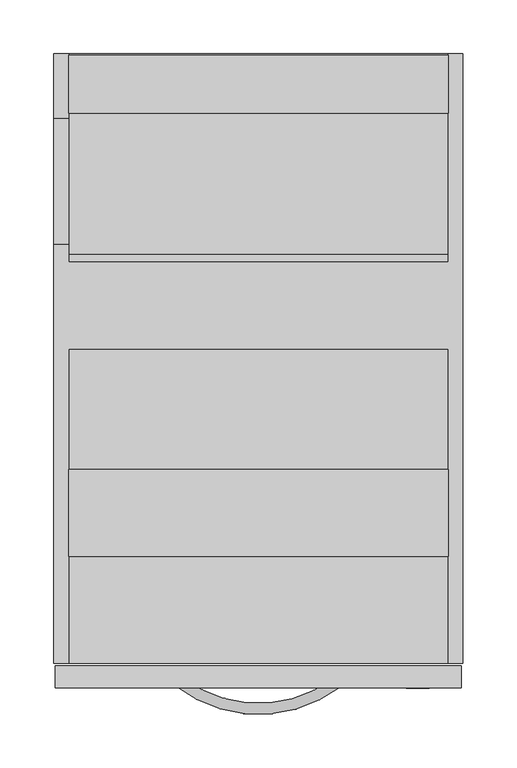
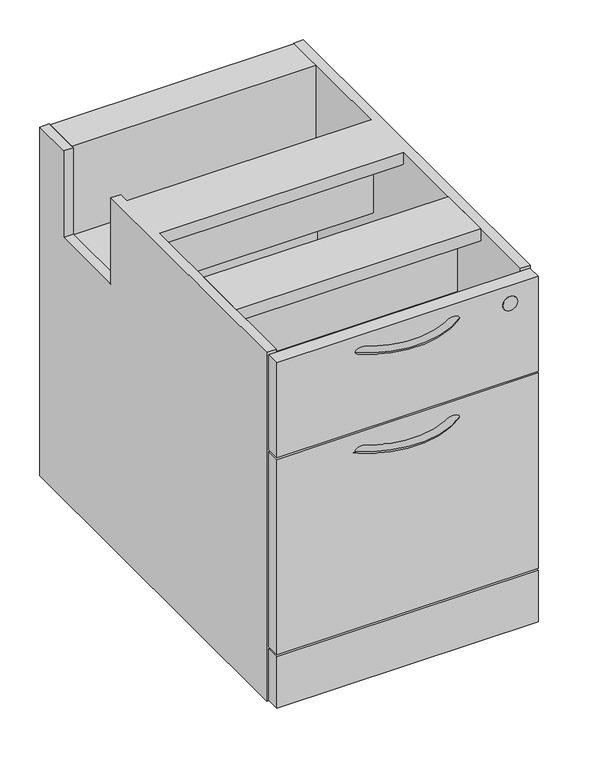
"""IFC4 building model written with IfcOpenShell, lengths in millimetres: furniture geometry."""

from ifc_helpers import new_model, si_unit, point, frame, frame_2d, origin, origin_with_axes, place, context, project, spatial, polyline, circle_curve, ellipse_curve, trimmed, segment, composite_curve, outline, extrude, faceted_brep, source, transform, mapped, element, save
from ifc_brep_helpers import plane_surface, revolved_surface, advanced_brep


def furniture_419ddf5b(model_context):
    return source(origin(), model_context, "Body", "SolidModel", [
        extrude(outline(polyline([(350.7363219, 203.45654), (350.7363219, 122.0754609), (-2.6276215, 122.0754609), (-2.6276215, 203.45654), (350.7363219, 203.45654)])), frame((0.0, 0.0, 527.5326014), z_axis=(0.0, 0.0, 1.0), x_axis=(1.0, 0.0, 0.0)), (0.0, 0.0, 1.0), 18.5673986),
        advanced_brep(
        [(244.5455709, 9.0357884, 368.2790769), (250.6819579, 0.938236, 368.2790769), (102.8313148, 9.5942624, 368.2790769), (96.631297, 1.5453259, 368.2790769)],
        [
            (0, 1, circle_curve(frame((247.6137644, 4.9870122, 368.2790769), z_axis=(0.797003184649824, 0.6039751018527489, 0.0), x_axis=(0.6039751018527489, -0.797003184649824, 0.0)), 5.08)),
            (1, 0, circle_curve(frame((247.6137644, 4.9870122, 368.2790769), z_axis=(0.797003184649824, 0.6039751018527489, 0.0), x_axis=(0.6039751018527489, -0.797003184649824, 0.0)), 5.08)),
            (2, 3, circle_curve(frame((99.7313059, 5.5697942, 368.2790769), z_axis=(-0.7922181580746404, 0.6102379781829579, 0.0), x_axis=(-0.6102379781829579, -0.7922181580746404, 0.0)), 5.08)),
            (3, 2, circle_curve(frame((99.7313059, 5.5697942, 368.2790769), z_axis=(-0.7922181580746404, 0.6102379781829579, 0.0), x_axis=(-0.6102379781829579, -0.7922181580746404, 0.0)), 5.08)),
            (3, 1, circle_curve(frame((174.0539219, 102.056293, 368.2790769), z_axis=(0.0, 0.0, 1.0), x_axis=(0.6039751018527488, -0.7970031846498241, 0.0)), 126.8728393)),
            (0, 2, circle_curve(frame((174.0539219, 102.056293, 368.2790769), z_axis=(0.0, 0.0, -1.0), x_axis=(0.6039751018527488, -0.7970031846498241, 0.0)), 116.7128393)),
        ],
        [
            plane_surface(frame((247.6608606, 4.9248642, 670.1234375), z_axis=(0.7970031846498242, 0.6039751018527488, 0.0), x_axis=(0.0, 0.0, 1.0))),
            plane_surface(frame((99.6837214, 5.5080193, 670.1234375), z_axis=(-0.7922181580746404, 0.610237978182958, 0.0), x_axis=(0.0, 0.0, 1.0))),
            revolved_surface(trimmed(ellipse_curve(frame((247.6137644, 4.9870122, 368.2790769), z_axis=(0.797003184649824, 0.6039751018527489, 0.0), x_axis=(0.6039751018527489, -0.797003184649824, 0.0)), 5.08, 5.08), [point((244.5455709, 9.0357884, 368.2790769))], [point((250.6819579, 0.938236, 368.2790769))], True, "CARTESIAN"), (174.0539219, 102.056293, 670.1234375), (0.0, 0.0, -1.0)),
            revolved_surface(trimmed(ellipse_curve(frame((247.6137644, 4.9870122, 368.2790769), z_axis=(0.797003184649824, 0.6039751018527489, 0.0), x_axis=(0.6039751018527489, -0.797003184649824, 0.0)), 5.08, 5.08), [point((250.6819579, 0.938236, 368.2790769))], [point((244.5455709, 9.0357884, 368.2790769))], True, "CARTESIAN"), (174.0539219, 102.056293, 670.1234375), (0.0, 0.0, -1.0)),
        ],
        [
            (0, [[1, 2]]),
            (1, [[3, 4]]),
            (2, [[5, -1, 6, -4]]),
            (3, [[-6, -2, -5, -3]]),
        ],
    ),
        extrude(outline(polyline([(363.0562901, -5.41e-05), (-14.9477997, -5.41e-05), (-14.9477997, 20.1676), (363.0562901, 20.1676), (363.0562901, -5.41e-05)])), frame((0.0, 0.0, 96.5962023), z_axis=(0.0, 0.0, 1.0), x_axis=(1.0, 0.0, 0.0)), (0.0, 0.0, 1.0), 298.8056075),
        extrude(outline(polyline([(589.0244768, 534.6110937), (587.449682, 534.6110937), (587.449682, 544.1360838), (536.6496941, 544.1360838), (536.6496941, 407.941272), (390.5996699, 407.941272), (390.5996699, 480.6360816), (403.2996941, 480.6360816), (403.2996941, 479.0612867), (392.1744647, 479.0612867), (392.1744647, 409.516072), (535.074876, 409.516072), (535.074876, 545.7108838), (589.0244768, 545.7108838), (589.0244768, 534.6110937)])), frame((-2.6276215, 0.0, 0.0), z_axis=(1.0, 0.0, 0.0), x_axis=(0.0, 1.0, 0.0)), (0.0, 0.0, 1.0), 353.3639434),
        faceted_brep([(-2.6276215, 590.55, 546.1), (-16.4460781, 590.55, 546.1), (-16.4460781, 530.5501116, 546.1), (-2.6276215, 530.5501116, 546.1), (-16.4460781, 22.606, 546.1), (-2.6276215, 22.606, 546.1), (-2.6276215, 315.23178, 546.1), (350.7363219, 315.23178, 546.1), (350.7363219, 22.606, 546.1), (364.5539219, 22.606, 546.1), (364.5539219, 590.55, 546.1), (350.7363219, 590.55, 546.1), (350.7363219, 396.6134405, 546.1), (-2.6276215, 396.6134405, 546.1), (-2.6276215, 412.5501195, 546.1), (-16.4460781, 412.5501195, 546.1), (-16.4460781, 22.606, 12.7), (-16.4460781, 590.55, 12.7), (364.5539219, 590.55, 12.7), (364.5539219, 22.606, 12.7), (-2.6276215, 590.55, 357.924846), (350.7363219, 590.55, 357.924846), (350.7363219, 590.55, 276.5249817), (-2.6276215, 590.55, 276.5249817), (-2.6276215, 590.55, 94.6988163), (350.7363219, 590.55, 94.6988163), (-16.4460781, 412.5501195, 413.7659869), (-16.4460781, 530.5501116, 413.7659869), (350.7363219, 22.606, 415.7014792), (-2.6276215, 22.606, 415.7014792), (350.7363219, 22.606, 94.6988163), (-2.6276215, 22.606, 94.6988163), (-2.6276215, 22.606, 395.4018099), (350.7363219, 22.606, 395.4018099), (-2.6276215, 22.606, 73.5075998), (350.7363219, 22.606, 73.5075998), (350.7363219, 22.606, 32.8675902), (-2.6276215, 22.606, 32.8675902), (-2.6276215, 179.7303948, 415.7014792), (-2.6276215, 179.7303948, 491.4734652), (-2.6276215, 199.8979864, 491.4734652), (-2.6276215, 199.8979864, 395.4018099), (-2.6276215, 530.5501116, 94.6988163), (-2.6276215, 530.5501116, 390.8454182), (-2.6276215, 540.1234405, 390.8454182), (-2.6276215, 540.1234405, 94.6988163), (-2.6276215, 570.4586043, 276.5249817), (-2.6276215, 570.4586043, 357.924846), (-2.6276215, 530.5501116, 413.7659869), (-2.6276215, 412.5501195, 413.7659869), (-2.6276215, 396.6134405, 527.5326014), (-2.6276215, 315.23178, 527.5326014), (-2.6276215, 570.4586043, 32.8675902), (-2.6276215, 570.4586043, 73.5075998), (350.7363219, 315.23178, 527.5326014), (350.7363219, 396.6134405, 527.5326014), (350.7363219, 570.4586043, 357.924846), (350.7363219, 570.4586043, 276.5249817), (350.7363219, 540.1234405, 94.6988163), (350.7363219, 540.1234405, 390.8454182), (350.7363219, 530.5501116, 390.8454182), (350.7363219, 530.5501116, 94.6988163), (350.7363219, 199.8979864, 395.4018099), (350.7363219, 199.8979864, 491.4734652), (350.7363219, 179.7303948, 491.4734652), (350.7363219, 179.7303948, 415.7014792), (350.7363219, 570.4586043, 73.5075998), (350.7363219, 570.4586043, 32.8675902)], [[[0, 1, 2, 3]], [[4, 5, 6, 7, 8, 9, 10, 11, 12, 13, 14, 15]], [[16, 17, 18, 19]], [[1, 0, 20, 21, 11, 10, 18, 17], [22, 23, 24, 25]], [[17, 16, 4, 15, 26, 27, 2, 1]], [[5, 4, 16, 19, 9, 8, 28, 29], [30, 31, 32, 33], [34, 35, 36, 37]], [[6, 5, 29, 38, 39, 40, 41, 32, 31, 42, 43, 44, 45, 24, 23, 46, 47, 20, 0, 3, 48, 49, 14, 13, 50, 51]], [[34, 37, 52, 53]], [[8, 7, 54, 55, 12, 11, 21, 56, 57, 22, 25, 58, 59, 60, 61, 30, 33, 62, 63, 64, 65, 28]], [[36, 35, 66, 67]], [[10, 9, 19, 18]], [[56, 47, 46, 57]], [[57, 46, 23, 22]], [[47, 56, 21, 20]], [[25, 24, 45, 58]], [[58, 45, 44, 59]], [[59, 44, 43, 60]], [[60, 43, 42, 61]], [[61, 42, 31, 30]], [[35, 34, 53, 66]], [[66, 53, 52, 67]], [[67, 52, 37, 36]], [[7, 6, 51, 54]], [[54, 51, 50, 55]], [[55, 50, 13, 12]], [[64, 39, 38, 65]], [[65, 38, 29, 28]], [[33, 32, 41, 62]], [[62, 41, 40, 63]], [[39, 64, 63, 40]], [[49, 26, 15, 14]], [[26, 49, 48, 27]], [[27, 48, 3, 2]]]),
        faceted_brep([(363.0562901, -5.41e-05, 93.5990016), (-14.9477997, -5.41e-05, 93.5990016), (-14.9477997, -5.41e-05, 15.1892005), (363.0562901, -5.41e-05, 15.1892005), (363.0562901, 20.1673196, 93.5990016), (363.0562901, 20.1673196, 15.1892005), (-14.9477997, 20.1673196, 15.1892005), (-14.9477997, 20.1673196, 93.5990016)], [[[0, 1, 2, 3]], [[4, 5, 6, 7]], [[1, 0, 4, 7]], [[2, 1, 7, 6]], [[3, 2, 6, 5]], [[0, 3, 5, 4]]]),
        advanced_brep(
        [(244.5455709, 9.0357884, 519.3060316), (250.6819579, 0.938236, 519.3060316), (102.8313148, 9.5942624, 519.3060316), (96.631297, 1.5453259, 519.3060316)],
        [
            (0, 1, circle_curve(frame((247.6137644, 4.9870122, 519.3060316), z_axis=(0.797003184649824, 0.6039751018527489, 0.0), x_axis=(0.6039751018527489, -0.797003184649824, 0.0)), 5.08)),
            (1, 0, circle_curve(frame((247.6137644, 4.9870122, 519.3060316), z_axis=(0.797003184649824, 0.6039751018527489, 0.0), x_axis=(0.6039751018527489, -0.797003184649824, 0.0)), 5.08)),
            (2, 3, circle_curve(frame((99.7313059, 5.5697942, 519.3060316), z_axis=(-0.7922181580746404, 0.6102379781829579, 0.0), x_axis=(-0.6102379781829579, -0.7922181580746404, 0.0)), 5.08)),
            (3, 2, circle_curve(frame((99.7313059, 5.5697942, 519.3060316), z_axis=(-0.7922181580746404, 0.6102379781829579, 0.0), x_axis=(-0.6102379781829579, -0.7922181580746404, 0.0)), 5.08)),
            (3, 1, circle_curve(frame((174.0539219, 102.056293, 519.3060316), z_axis=(0.0, 0.0, 1.0), x_axis=(0.6039751018527488, -0.7970031846498241, 0.0)), 126.8728393)),
            (0, 2, circle_curve(frame((174.0539219, 102.056293, 519.3060316), z_axis=(0.0, 0.0, -1.0), x_axis=(0.6039751018527488, -0.7970031846498241, 0.0)), 116.7128393)),
        ],
        [
            plane_surface(frame((247.6608606, 4.9248642, 670.1234375), z_axis=(0.7970031846498242, 0.6039751018527488, 0.0), x_axis=(0.0, 0.0, 1.0))),
            plane_surface(frame((99.6837214, 5.5080193, 670.1234375), z_axis=(-0.7922181580746404, 0.610237978182958, 0.0), x_axis=(0.0, 0.0, 1.0))),
            revolved_surface(trimmed(ellipse_curve(frame((247.6137644, 4.9870122, 519.3060316), z_axis=(0.797003184649824, 0.6039751018527489, 0.0), x_axis=(0.6039751018527489, -0.797003184649824, 0.0)), 5.08, 5.08), [point((244.5455709, 9.0357884, 519.3060316))], [point((250.6819579, 0.938236, 519.3060316))], True, "CARTESIAN"), (174.0539219, 102.056293, 670.1234375), (0.0, 0.0, -1.0)),
            revolved_surface(trimmed(ellipse_curve(frame((247.6137644, 4.9870122, 519.3060316), z_axis=(0.797003184649824, 0.6039751018527489, 0.0), x_axis=(0.6039751018527489, -0.797003184649824, 0.0)), 5.08, 5.08), [point((250.6819579, 0.938236, 519.3060316))], [point((244.5455709, 9.0357884, 519.3060316))], True, "CARTESIAN"), (174.0539219, 102.056293, 670.1234375), (0.0, 0.0, -1.0)),
        ],
        [
            (0, [[1, 2]]),
            (1, [[3, 4]]),
            (2, [[5, -1, 6, -4]]),
            (3, [[-6, -2, -5, -3]]),
        ],
    ),
        extrude(outline(composite_curve([segment(trimmed(circle_curve(frame_2d((516.0981038, 322.6068401)), 10.668), [point((516.0981038, 311.9388401))], [point((516.0981038, 333.2748401))], False, "CARTESIAN"), True, "CONTINUOUS"), segment(trimmed(circle_curve(frame_2d((516.0981038, 322.6068401)), 10.668), [point((516.0981038, 333.2748401))], [point((516.0981038, 311.9388401))], False, "CARTESIAN"), True, "CONTINUOUS")], self_intersect=False)), frame((0.0, -0.508, 0.0), z_axis=(0.0, 1.0, 0.0), x_axis=(0.0, 0.0, 1.0)), (0.0, 0.0, 1.0), 0.5079459),
        extrude(outline(composite_curve([segment(trimmed(circle_curve(frame_2d((19.0968082, 555.2063789)), 14.478), [point((4.6188082, 555.2063789))], [point((33.5748082, 555.2063789))], False, "CARTESIAN"), True, "CONTINUOUS"), segment(trimmed(circle_curve(frame_2d((19.0968082, 555.2063789)), 14.478), [point((33.5748082, 555.2063789))], [point((4.6188082, 555.2063789))], False, "CARTESIAN"), True, "CONTINUOUS")], self_intersect=False)), origin_with_axes(), (0.0, 0.0, 1.0), 12.7),
        extrude(outline(composite_curve([segment(trimmed(circle_curve(frame_2d((328.4419262, 555.2063789)), 14.478), [point((313.9639262, 555.2063789))], [point((342.9199262, 555.2063789))], False, "CARTESIAN"), True, "CONTINUOUS"), segment(trimmed(circle_curve(frame_2d((328.4419262, 555.2063789)), 14.478), [point((342.9199262, 555.2063789))], [point((313.9639262, 555.2063789))], False, "CARTESIAN"), True, "CONTINUOUS")], self_intersect=False)), origin_with_axes(), (0.0, 0.0, 1.0), 12.7),
        extrude(outline(composite_curve([segment(trimmed(circle_curve(frame_2d((19.0968082, 47.520502)), 14.478), [point((4.6188082, 47.520502))], [point((33.5748082, 47.520502))], False, "CARTESIAN"), True, "CONTINUOUS"), segment(trimmed(circle_curve(frame_2d((19.0968082, 47.520502)), 14.478), [point((33.5748082, 47.520502))], [point((4.6188082, 47.520502))], False, "CARTESIAN"), True, "CONTINUOUS")], self_intersect=False)), origin_with_axes(), (0.0, 0.0, 1.0), 12.7),
        extrude(outline(composite_curve([segment(trimmed(circle_curve(frame_2d((328.4419262, 47.520502)), 14.478), [point((313.9639262, 47.520502))], [point((342.9199262, 47.520502))], False, "CARTESIAN"), True, "CONTINUOUS"), segment(trimmed(circle_curve(frame_2d((328.4419262, 47.520502)), 14.478), [point((342.9199262, 47.520502))], [point((313.9639262, 47.520502))], False, "CARTESIAN"), True, "CONTINUOUS")], self_intersect=False)), origin_with_axes(), (0.0, 0.0, 1.0), 12.7),
        extrude(outline(polyline([(363.0562901, -5.41e-05), (-14.9477997, -5.41e-05), (-14.9477997, 20.1676), (363.0562901, 20.1676), (363.0562901, -5.41e-05)])), frame((0.0, 0.0, 398.3990107), z_axis=(0.0, 0.0, 1.0), x_axis=(1.0, 0.0, 0.0)), (0.0, 0.0, 1.0), 144.6529893),
    ])


if __name__ == "__main__":
    model = new_model("IFC4")
    model_context = context("Model", 3, world=origin())
    ifc_project = project(units=[si_unit("LENGTHUNIT", "METRE", prefix="MILLI")], contexts=[model_context])
    site = spatial("IfcSite", under=ifc_project)
    building = spatial("IfcBuilding", under=site)
    placement = place(None, origin())
    furniture_shape = furniture_419ddf5b(model_context)
    element("IfcFurniture", 1, at=placement, inside=building, context=model_context, shape_type="MappedRepresentation", body=[
        mapped(furniture_shape, transform((0.0, 0.0, 0.0), x_axis=(1.0, 0.0, 0.0), y_axis=(0.0, 1.0, 0.0), z_axis=(0.0, 0.0, 1.0))),
    ])
    save(model, "model.ifc")
